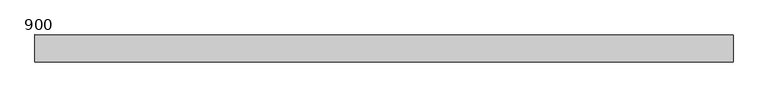
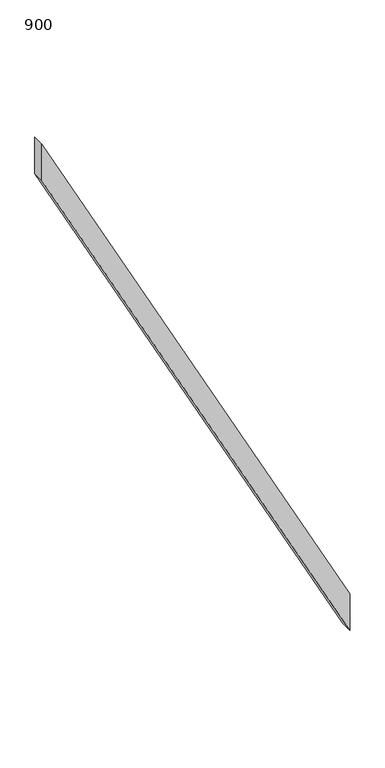
"""IFC4 building model written with IfcOpenShell, lengths in millimetres: railing geometry, 900."""

from ifc_helpers import new_model, si_unit, frame, origin, place, context, project, spatial, polyline, outline, extrude, source, transform, mapped, element, save


def railing_900_69aae97f(model_context):
    return source(origin(), model_context, "Body", "SweptSolid", [
        extrude(outline(polyline([(926.1588272, 13156.9464631), (1089.2857143, 13156.9464631), (3550.0, 11856.9464631), (3386.873113, 11856.9464631), (926.1588272, 13156.9464631)])), frame((0.0, 20686.0, 0.0), z_axis=(0.0, 1.0, 0.0), x_axis=(0.0, 0.0, 1.0)), (0.0, 0.0, 1.0), 50.8),
    ])


if __name__ == "__main__":
    model = new_model("IFC4")
    model_context = context("Model", 3, world=origin())
    ifc_project = project(units=[si_unit("LENGTHUNIT", "METRE", prefix="MILLI")], contexts=[model_context])
    site = spatial("IfcSite", under=ifc_project)
    building = spatial("IfcBuilding", under=site)
    placement = place(None, origin())
    railing_900_shape = railing_900_69aae97f(model_context)
    element("IfcRailing", 1, ObjectType="900", at=placement, inside=building, context=model_context, shape_type="MappedRepresentation", body=[
        mapped(railing_900_shape, transform((0.0, 0.0, 0.0), x_axis=(1.0, 0.0, 0.0), y_axis=(0.0, 1.0, 0.0), z_axis=(0.0, 0.0, 1.0))),
    ])
    save(model, "model.ifc")
